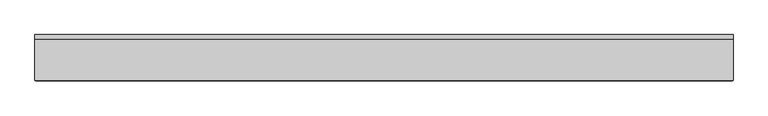
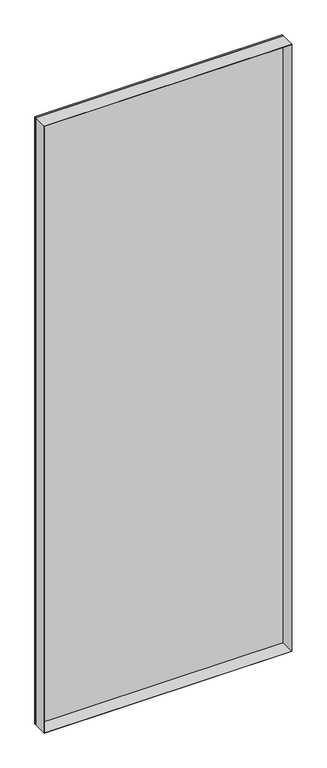
"""IFC4 building model written with IfcOpenShell, lengths in millimetres: plate geometry."""

from ifc_helpers import new_model, si_unit, frame, origin, origin_with_axes, place, context, project, spatial, polyline, outline, extrude, source, transform, mapped, element, save


def plate_331c1e0b(model_context):
    return source(origin(), model_context, "Body", "SweptSolid", [
        extrude(outline(polyline([(2936.0, -566.1428573), (0.0, -566.1428573), (0.0, 566.1428573), (2936.0, 566.1428573), (2936.0, -566.1428573)]), holes=[polyline([(2935.0, -565.1428573), (2935.0, 565.1428573), (1.0, 565.1428573), (1.0, -565.1428573), (2935.0, -565.1428573)])]), frame((0.0, -37.2, 0.0), z_axis=(0.0, 1.0, 0.0), x_axis=(0.0, 0.0, 1.0)), (0.0, 0.0, 1.0), 66.4),
        extrude(outline(polyline([(566.1428573, 29.2), (-566.1428573, 29.2), (-566.1428573, 37.2), (566.1428573, 37.2), (566.1428573, 29.2)])), origin_with_axes(), (0.0, 0.0, 1.0), 2936.0),
    ])


if __name__ == "__main__":
    model = new_model("IFC4")
    model_context = context("Model", 3, world=origin())
    ifc_project = project(units=[si_unit("LENGTHUNIT", "METRE", prefix="MILLI")], contexts=[model_context])
    site = spatial("IfcSite", under=ifc_project)
    building = spatial("IfcBuilding", under=site)
    placement = place(None, origin())
    plate_shape = plate_331c1e0b(model_context)
    element("IfcPlate", 1, at=placement, inside=building, context=model_context, shape_type="MappedRepresentation", body=[
        mapped(plate_shape, transform((0.0, 0.0, 0.0), x_axis=(1.0, 0.0, 0.0), y_axis=(0.0, 1.0, 0.0), z_axis=(0.0, 0.0, 1.0))),
    ])
    save(model, "model.ifc")
